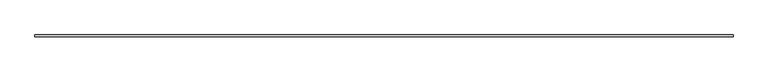
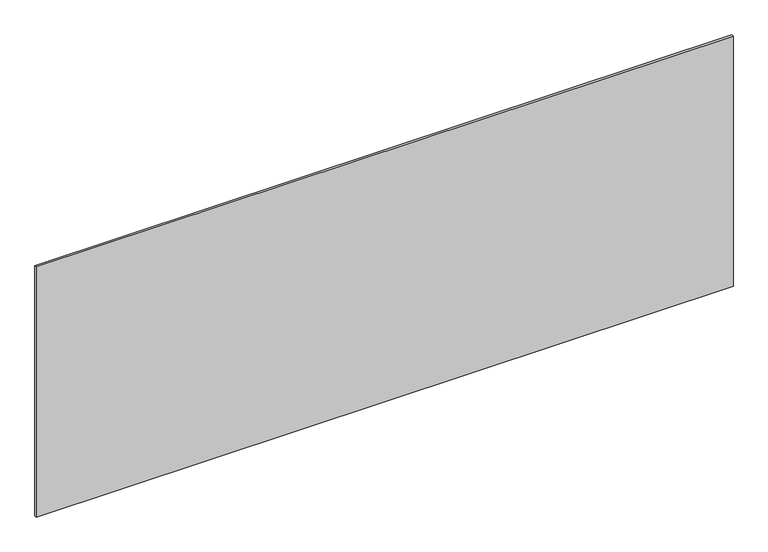
"""IFC4 building model written with IfcOpenShell, lengths in millimetres: plate geometry."""

import ifcopenshell
import ifcopenshell.guid

model = None  # the IFC model being written
_history = None  # IfcOwnerHistory: only IFC2X3 demands one
_inside = {}  # id of a spatial element -> (the spatial element, [elements in it])
_under = {}  # id of a project, library or spatial element -> (it, [spatial elements below it])
_declared = {}  # id of a project -> (the project, [libraries it declares])
_typed = {}  # id of a type object -> (the type object, [elements of that type])
_made_of = {}  # id of a material, layer set ... -> (it, [elements and type objects made of it])


def new_model(schema):
    """Start an empty IFC model of exactly this schema.

    Asked for "IFC4X3", IfcOpenShell would pick the latest addendum, in which some entities
    have other attributes; the version numbers below select the first issue.
    IFC2X3 requires an IfcOwnerHistory on every rooted entity: one is made here for all.
    """
    global model, _history
    if schema == "IFC4X3":
        model = ifcopenshell.file(schema_version=(4, 3, 0, 0))
    else:
        model = ifcopenshell.file(schema=schema)
    _inside.clear()
    _under.clear()
    _declared.clear()
    _typed.clear()
    _made_of.clear()
    _history = None
    if model.schema == "IFC2X3":
        org = make("IfcOrganization", Name="unknown")
        user = make(
            "IfcPersonAndOrganization",
            ThePerson=make("IfcPerson", FamilyName="unknown"),
            TheOrganization=org,
        )
        app = make(
            "IfcApplication",
            ApplicationDeveloper=org,
            Version="unknown",
            ApplicationFullName="unknown",
            ApplicationIdentifier="unknown",
        )
        _history = make(
            "IfcOwnerHistory",
            OwningUser=user,
            OwningApplication=app,
            ChangeAction="ADDED",
            CreationDate=0,
        )
    return model


def make(cls, **values):
    """One entity of the class cls with the attributes given. An attribute that is None is left unset."""
    return model.create_entity(
        cls, **{name: value for name, value in values.items() if value is not None}
    )


def rooted(cls, **values):
    """An entity with a GlobalId (a new one), such as an element, a storey or a relation."""
    return make(cls, GlobalId=ifcopenshell.guid.new(), OwnerHistory=_history, **values)


def si_unit(unit_type, name, prefix=None):
    """IfcSIUnit, for example si_unit("LENGTHUNIT", "METRE", prefix="MILLI")."""
    return make("IfcSIUnit", UnitType=unit_type, Prefix=prefix, Name=name)


def assignment(units):
    """IfcUnitAssignment: the units of a project."""
    return None if units is None else make("IfcUnitAssignment", Units=units)


def point(xyz):
    """IfcCartesianPoint."""
    return None if xyz is None else make("IfcCartesianPoint", Coordinates=xyz)


def direction(xyz):
    """IfcDirection."""
    return None if xyz is None else make("IfcDirection", DirectionRatios=xyz)


def frame(location, z_axis=None, x_axis=None):
    """IfcAxis2Placement3D, a coordinate frame: its origin and axes. An axis left out is left unset."""
    return make(
        "IfcAxis2Placement3D",
        Location=point(location),
        Axis=direction(z_axis),
        RefDirection=direction(x_axis),
    )


def origin():
    """The frame at (0, 0, 0) with its axes left unset."""
    return frame((0.0, 0.0, 0.0))


def origin_with_axes():
    """The frame at (0, 0, 0) with the z axis (0, 0, 1) and the x axis (1, 0, 0) written out."""
    return frame((0.0, 0.0, 0.0), z_axis=(0.0, 0.0, 1.0), x_axis=(1.0, 0.0, 0.0))


def place(relative_to, where):
    """IfcLocalPlacement: puts the frame where relative to a parent placement (None: the world)."""
    return make(
        "IfcLocalPlacement", PlacementRelTo=relative_to, RelativePlacement=where
    )


def context(
    kind, dimensions, precision=None, world=None, true_north=None, identifier=None
):
    """IfcGeometricRepresentationContext, for example the 3D "Model" context."""
    return make(
        "IfcGeometricRepresentationContext",
        ContextIdentifier=identifier,
        ContextType=kind,
        CoordinateSpaceDimension=dimensions,
        Precision=precision,
        WorldCoordinateSystem=world,
        TrueNorth=true_north,
    )


def project(units=None, contexts=None):
    """IfcProject with its units and contexts."""
    return rooted(
        "IfcProject",
        Name="project",
        RepresentationContexts=contexts,
        UnitsInContext=assignment(units),
    )


def spatial(cls, under=None, at=None, **own):
    """A site, building, storey or space (cls), placed at a placement, below another one or the project."""
    s = rooted(cls, ObjectPlacement=at, **own)
    if under is not None:
        _under.setdefault(under.id(), (under, []))[1].append(s)
    return s


def polyline(points):
    """IfcPolyline through the points."""
    return make("IfcPolyline", Points=[point(p) for p in points])


def outline(outer, holes=None, kind="AREA"):
    """IfcArbitraryClosedProfileDef: a profile drawn as a closed curve; with holes, ...WithVoids."""
    if holes is None:
        return make("IfcArbitraryClosedProfileDef", ProfileType=kind, OuterCurve=outer)
    return make(
        "IfcArbitraryProfileDefWithVoids",
        ProfileType=kind,
        OuterCurve=outer,
        InnerCurves=holes,
    )


def extrude(swept, where, along, depth):
    """IfcExtrudedAreaSolid: the profile swept, set in the frame where, extruded along a direction by depth."""
    return make(
        "IfcExtrudedAreaSolid",
        SweptArea=swept,
        Position=where,
        ExtrudedDirection=direction(along),
        Depth=depth,
    )


def shape(context_of_items, identifier, shape_type, items):
    """IfcShapeRepresentation: the items that make up one representation, for example the "Body"."""
    return make(
        "IfcShapeRepresentation",
        ContextOfItems=context_of_items,
        RepresentationIdentifier=identifier,
        RepresentationType=shape_type,
        Items=items,
    )


def source(mapping_origin, context_of_items, identifier, shape_type, items):
    """IfcRepresentationMap: a shape defined once, which mapped items show again and again."""
    return make(
        "IfcRepresentationMap",
        MappingOrigin=mapping_origin,
        MappedRepresentation=shape(context_of_items, identifier, shape_type, items),
    )


def transform(
    local_origin,
    x_axis=None,
    y_axis=None,
    z_axis=None,
    scale=None,
    scale2=None,
    scale3=None,
    uniform=True,
):
    """IfcCartesianTransformationOperator3D, or its non-uniform kind. x_axis, y_axis, z_axis: its Axis1, 2, 3."""
    if uniform:
        return make(
            "IfcCartesianTransformationOperator3D",
            Axis1=direction(x_axis),
            Axis2=direction(y_axis),
            LocalOrigin=point(local_origin),
            Scale=scale,
            Axis3=direction(z_axis),
        )
    return make(
        "IfcCartesianTransformationOperator3DnonUniform",
        Axis1=direction(x_axis),
        Axis2=direction(y_axis),
        LocalOrigin=point(local_origin),
        Scale=scale,
        Axis3=direction(z_axis),
        Scale2=scale2,
        Scale3=scale3,
    )


def mapped(mapping_source, mapping_target):
    """IfcMappedItem: shows the shape of a source again, moved by a transform."""
    return make(
        "IfcMappedItem", MappingSource=mapping_source, MappingTarget=mapping_target
    )


def made_of(thing, what):
    """Note that an element or type object is made of a material, layer set ...; save() writes the relation."""
    if what is not None:
        _made_of.setdefault(what.id(), (what, []))[1].append(thing)
    return thing


def element(
    cls,
    number,
    at=None,
    inside=None,
    cuts=None,
    type_object=None,
    material=None,
    context=None,
    identifier="Body",
    shape_type=None,
    held_by="IfcProductDefinitionShape",
    body=None,
    shapes=None,
    **own,
):
    """One element of the class cls, such as IfcWall. Its Tag is "e" and its number.

    at: its placement. inside: the storey or other place that contains it. cuts: it is an
    opening in that element (IfcRelVoidsElement). A single representation is given by context,
    identifier, shape_type and body (its items); several are given by shapes. held_by: the class
    of the entity that holds the representations. save() writes the other relations.
    """
    e = rooted(cls, Tag="e%d" % number, ObjectPlacement=at, **own)
    if body is not None:
        shapes = [shape(context, identifier, shape_type, body)]
    if shapes is not None:
        e.Representation = make(held_by, Representations=shapes)
    if inside is not None:
        _inside.setdefault(inside.id(), (inside, []))[1].append(e)
    if cuts is not None:
        rooted(
            "IfcRelVoidsElement", RelatingBuildingElement=cuts, RelatedOpeningElement=e
        )
    if type_object is not None:
        _typed.setdefault(type_object.id(), (type_object, []))[1].append(e)
    return made_of(e, material)


def aggregate(whole, parts):
    """IfcRelAggregates: a whole, such as a stair, and the parts it consists of."""
    return rooted("IfcRelAggregates", RelatingObject=whole, RelatedObjects=parts)


def save(model, path):
    """Write the relations noted so far, then the file.

    IfcRelAggregates (storeys below a building ...), IfcRelContainedInSpatialStructure (elements
    in a storey), IfcRelDefinesByType, IfcRelAssociatesMaterial and IfcRelDeclares: one each for
    every whole, place, type object, material and project.
    """
    for whole, parts in _under.values():
        aggregate(whole, parts)
    for where, things in _inside.values():
        rooted(
            "IfcRelContainedInSpatialStructure",
            RelatedElements=things,
            RelatingStructure=where,
        )
    for kind, things in _typed.values():
        rooted("IfcRelDefinesByType", RelatedObjects=things, RelatingType=kind)
    for what, things in _made_of.values():
        rooted("IfcRelAssociatesMaterial", RelatedObjects=things, RelatingMaterial=what)
    for by, libraries in _declared.values():
        rooted("IfcRelDeclares", RelatingContext=by, RelatedDefinitions=libraries)
    model.write(path)


def plate_6f6c99c1(model_context):
    return source(origin(), model_context, "Body", "SweptSolid", [
        extrude(outline(polyline([(1715.0, -5.0), (-1715.0, -5.0), (-1715.0, 5.0), (1715.0, 5.0), (1715.0, -5.0)])), origin_with_axes(), (0.0, 0.0, 1.0), 1301.3041156),
    ])


if __name__ == "__main__":
    model = new_model("IFC4")
    model_context = context("Model", 3, world=origin())
    ifc_project = project(units=[si_unit("LENGTHUNIT", "METRE", prefix="MILLI")], contexts=[model_context])
    site = spatial("IfcSite", under=ifc_project)
    building = spatial("IfcBuilding", under=site)
    placement = place(None, origin())
    plate_shape = plate_6f6c99c1(model_context)
    element("IfcPlate", 1, at=placement, inside=building, context=model_context, shape_type="MappedRepresentation", body=[
        mapped(plate_shape, transform((0.0, 0.0, 0.0), x_axis=(1.0, 0.0, 0.0), y_axis=(0.0, 1.0, 0.0), z_axis=(0.0, 0.0, 1.0))),
    ])
    save(model, "model.ifc")
